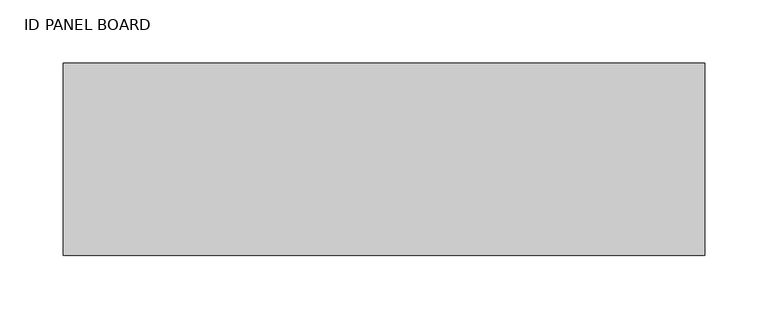
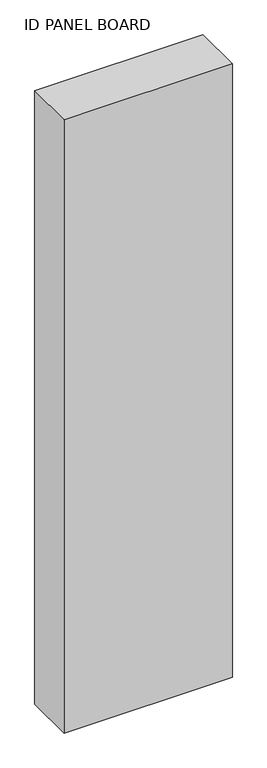
"""IFC4 building model written with IfcOpenShell, lengths in millimetres: proxy geometry, ID PANEL BOARD."""

from ifc_helpers import new_model, si_unit, frame, origin, place, context, project, spatial, polyline, outline, extrude, source, transform, mapped, element, save


def id_panel_board_292b436a(model_context):
    return source(origin(), model_context, "Body", "SweptSolid", [
        extrude(outline(polyline([(254.0, 0.0), (-254.0, 0.0), (-254.0, 152.4), (254.0, 152.4), (254.0, 0.0)])), frame((0.0, 0.0, 800.1), z_axis=(0.0, 0.0, 1.0), x_axis=(1.0, 0.0, 0.0)), (0.0, 0.0, 1.0), 1955.8),
    ])


if __name__ == "__main__":
    model = new_model("IFC4")
    model_context = context("Model", 3, world=origin())
    ifc_project = project(units=[si_unit("LENGTHUNIT", "METRE", prefix="MILLI")], contexts=[model_context])
    site = spatial("IfcSite", under=ifc_project)
    building = spatial("IfcBuilding", under=site)
    placement = place(None, origin())
    id_panel_board_shape = id_panel_board_292b436a(model_context)
    element("IfcBuildingElementProxy", 1, Name="ID PANEL BOARD", ObjectType="ID PANEL BOARD", at=placement, inside=building, context=model_context, shape_type="MappedRepresentation", body=[
        mapped(id_panel_board_shape, transform((0.0, 0.0, 0.0), x_axis=(1.0, 0.0, 0.0), y_axis=(0.0, 1.0, 0.0), z_axis=(0.0, 0.0, 1.0))),
    ])
    save(model, "model.ifc")
